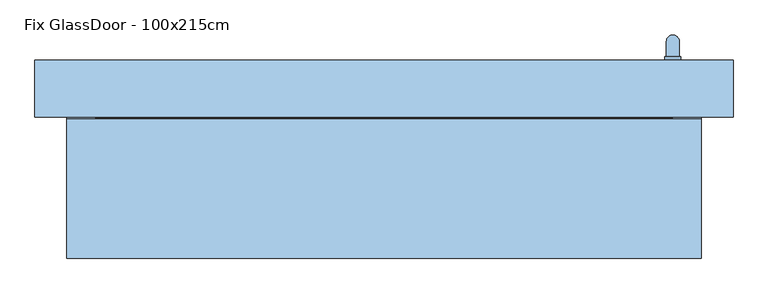
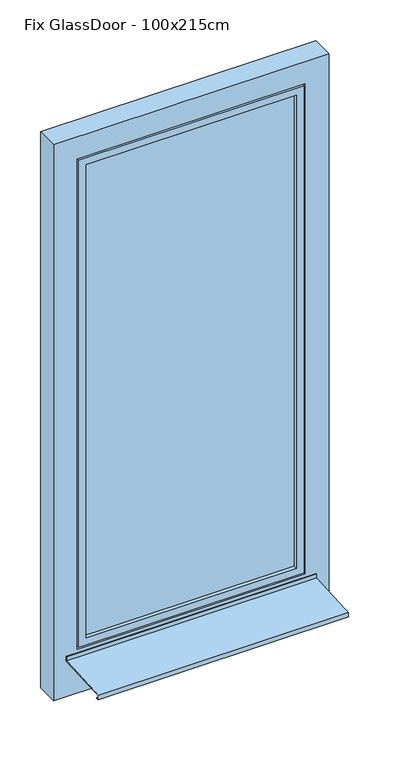
"""IFC4 building model written with IfcOpenShell, lengths in millimetres: window geometry, Fix GlassDoor - 100x215cm."""

from ifc_helpers import new_model, si_unit, frame, origin, place, context, project, spatial, polyline, circle_curve, ellipse_curve, outline, extrude, faceted_brep, source, transform, mapped, element, save
from ifc_brep_helpers import plane_surface, cylinder_surface, advanced_brep


def fix_glassdoor_100x215cm_30d87584(model_context):
    return source(origin(), model_context, "Body", "SolidModel", [
        advanced_brep(
        [(442.5, -35.0, 1087.5), (442.5, -35.0, 1070.0), (442.5, -35.0, 1052.5), (467.5, -35.0, 1052.5), (467.5, -35.0, 1070.0), (467.5, -35.0, 1087.5), (465.0, -5.0, 1070.0), (445.0, -5.0, 1070.0), (445.0, -29.0, 1070.0), (465.0, -29.0, 1070.0), (465.0, -5.0, 950.0), (445.0, -5.0, 950.0), (442.5, -29.0, 1087.5), (467.5, -29.0, 1087.5), (467.5, -29.0, 1070.0), (467.5, -29.0, 1052.5), (442.5, -29.0, 1052.5), (442.5, -29.0, 1070.0)],
        [
            (0, 1),
            (1, 2),
            (2, 3, circle_curve(frame((455.0, -35.0, 1052.5), z_axis=(0.0, -1.0, 0.0), x_axis=(-1.0, 0.0, 0.0)), 12.5)),
            (3, 4),
            (4, 5),
            (5, 0, circle_curve(frame((455.0, -35.0, 1087.5), z_axis=(0.0, -1.0, 0.0), x_axis=(-1.0, 0.0, 0.0)), 12.5)),
            (6, 7, ellipse_curve(frame((455.0, -5.0, 1070.0), z_axis=(0.0, -0.7071067811865498, 0.7071067811865451), x_axis=(0.0, -0.7071067811865452, -0.7071067811865497)), 14.1421356, 10.0)),
            (7, 8),
            (8, 9, circle_curve(frame((455.0, -29.0, 1070.0), z_axis=(0.0, 1.0, 0.0), x_axis=(-1.0, 0.0, 0.0)), 10.0)),
            (9, 6),
            (7, 6, ellipse_curve(frame((455.0, -5.0, 1070.0), z_axis=(0.0, -0.7071067811865498, 0.7071067811865451), x_axis=(0.0, -0.7071067811865452, -0.7071067811865497)), 14.1421356, 10.0)),
            (9, 8, circle_curve(frame((455.0, -29.0, 1070.0), z_axis=(0.0, 1.0, 0.0), x_axis=(-1.0, 0.0, 0.0)), 10.0)),
            (10, 11, circle_curve(frame((455.0, -5.0, 950.0), z_axis=(0.0, 0.0, -1.0), x_axis=(-1.0, 0.0, 0.0)), 10.0)),
            (11, 10, circle_curve(frame((455.0, -5.0, 950.0), z_axis=(0.0, 0.0, -1.0), x_axis=(-1.0, 0.0, 0.0)), 10.0)),
            (6, 10),
            (11, 7),
            (12, 13, circle_curve(frame((455.0, -29.0, 1087.5), z_axis=(0.0, 1.0, 0.0), x_axis=(-1.0, 0.0, 0.0)), 12.5)),
            (13, 14),
            (14, 15),
            (15, 16, circle_curve(frame((455.0, -29.0, 1052.5), z_axis=(0.0, 1.0, 0.0), x_axis=(-1.0, 0.0, 0.0)), 12.5)),
            (16, 17),
            (17, 12),
            (12, 0),
            (5, 13),
            (4, 14),
            (3, 15),
            (2, 16),
            (1, 17),
        ],
        [
            plane_surface(frame((455.0, -35.0, 1070.0), z_axis=(0.0, -1.0, 0.0), x_axis=(-1.0, 0.0, 0.0))),
            cylinder_surface(frame((455.0, -35.0, 1070.0), z_axis=(0.0, -1.0, 0.0), x_axis=(-1.0, 0.0, 0.0)), 10.0),
            plane_surface(frame((455.0, -5.0, 950.0), z_axis=(0.0, 0.0, -1.0), x_axis=(-1.0, 0.0, 0.0))),
            cylinder_surface(frame((455.0, -5.0, 1070.0), z_axis=(0.0, 0.0, 1.0), x_axis=(-1.0, 0.0, 0.0)), 10.0),
            plane_surface(frame((442.5, -29.0, 1087.5), z_axis=(0.0, 1.0, 0.0), x_axis=(0.0, 0.0, 1.0))),
            cylinder_surface(frame((455.0, -35.0, 1087.5), z_axis=(0.0, 1.0, 0.0), x_axis=(-1.0, 0.0, 0.0)), 12.5),
            plane_surface(frame((467.5, -29.0, 1087.5), z_axis=(1.0, 0.0, 0.0), x_axis=(0.0, -1.0, 0.0))),
            plane_surface(frame((467.5, -29.0, 1070.0), z_axis=(1.0, 0.0, 0.0), x_axis=(0.0, -1.0, 0.0))),
            cylinder_surface(frame((455.0, -35.0, 1052.5), z_axis=(0.0, 1.0, 0.0), x_axis=(-1.0, 0.0, 0.0)), 12.5),
            plane_surface(frame((442.5, -29.0, 1052.5), z_axis=(-1.0, 0.0, 0.0), x_axis=(0.0, -1.0, 0.0))),
            plane_surface(frame((442.5, -29.0, 1070.0), z_axis=(-1.0, 0.0, 0.0), x_axis=(0.0, -1.0, 0.0))),
        ],
        [
            (0, [[1, 2, 3, 4, 5, 6]]),
            (1, [[7, 8, 9, 10]]),
            (1, [[11, -10, 12, -8]]),
            (2, [[13, 14]]),
            (3, [[-7, 15, -14, 16]]),
            (3, [[-11, -16, -13, -15]]),
            (4, [[17, 18, 19, 20, 21, 22], [-9, -12]]),
            (5, [[-17, 23, -6, 24]]),
            (6, [[-18, -24, -5, 25]]),
            (7, [[-19, -25, -4, 26]]),
            (8, [[-20, -26, -3, 27]]),
            (9, [[-21, -27, -2, 28]]),
            (10, [[-22, -28, -1, -23]]),
        ],
    ),
        faceted_brep([(-420.0, -35.0, 2070.0), (-420.0, -125.0, 2070.0), (-420.0, -125.0, 70.0), (-420.0, -35.0, 70.0), (-450.0, -125.0, 40.0), (450.0, -125.0, 40.0), (450.0, -125.0, 2100.0), (-450.0, -125.0, 2100.0), (420.0, -125.0, 2070.0), (420.0, -125.0, 70.0), (420.0, -35.0, 70.0), (-490.0, -35.0, 2140.0), (490.0, -35.0, 2140.0), (490.0, -35.0, 0.0), (-490.0, -35.0, 0.0), (420.0, -35.0, 2070.0), (-490.0, -50.0, 2140.0), (-490.0, -50.0, 0.0), (490.0, -50.0, 0.0), (490.0, -50.0, 2140.0), (-475.0, -50.0, 2125.0), (475.0, -50.0, 2125.0), (475.0, -50.0, 15.0), (-475.0, -50.0, 15.0), (-475.0, -80.0, 2125.0), (-475.0, -80.0, 15.0), (475.0, -80.0, 15.0), (475.0, -80.0, 2125.0), (-465.0, -80.0, 2115.0), (465.0, -80.0, 2115.0), (465.0, -80.0, 25.0), (-465.0, -80.0, 25.0), (-465.0, -110.0, 2115.0), (-465.0, -110.0, 25.0), (465.0, -110.0, 25.0), (465.0, -110.0, 2115.0), (-450.0, -110.0, 2100.0), (450.0, -110.0, 2100.0), (450.0, -110.0, 40.0), (-450.0, -110.0, 40.0)], [[[0, 1, 2, 3]], [[4, 5, 6, 7], [1, 8, 9, 2]], [[3, 2, 9, 10]], [[11, 12, 13, 14], [3, 10, 15, 0]], [[16, 11, 14, 17]], [[17, 14, 13, 18]], [[17, 18, 19, 16], [20, 21, 22, 23]], [[24, 20, 23, 25]], [[25, 23, 22, 26]], [[25, 26, 27, 24], [28, 29, 30, 31]], [[32, 28, 31, 33]], [[33, 31, 30, 34]], [[33, 34, 35, 32], [36, 37, 38, 39]], [[7, 36, 39, 4]], [[4, 39, 38, 5]], [[10, 9, 8, 15]], [[18, 13, 12, 19]], [[26, 22, 21, 27]], [[34, 30, 29, 35]], [[5, 38, 37, 6]], [[15, 8, 1, 0]], [[19, 12, 11, 16]], [[27, 21, 20, 24]], [[35, 29, 28, 32]], [[6, 37, 36, 7]]]),
        extrude(outline(polyline([(-420.0, -110.0), (-420.0, -66.0), (420.0, -66.0), (420.0, -110.0), (-420.0, -110.0)])), frame((0.0, 0.0, 70.0), z_axis=(0.0, 0.0, 1.0), x_axis=(1.0, 0.0, 0.0)), (0.0, 0.0, 1.0), 2000.0),
        faceted_brep([(-500.0, -347.0, -9.0998752), (500.0, -347.0, -9.0998752), (500.0, -325.0, -7.9998752), (500.0, -127.0, 1.9001248), (-500.0, -127.0, 1.9001248), (-500.0, -325.0, -7.9998752), (-500.0, -347.0, -29.0998752), (500.0, -347.0, -29.0998752), (-500.0, -335.0, -29.0998752), (500.0, -335.0, -29.0998752), (-500.0, -335.0, -27.0998752), (500.0, -335.0, -27.0998752), (-500.0, -345.0, -27.0998752), (500.0, -345.0, -27.0998752), (-500.0, -345.0, -11.0), (500.0, -345.0, -11.0), (-500.0, -325.0, -10.0), (-500.0, -125.0, 0.0), (500.0, -125.0, 0.0), (500.0, -325.0, -10.0), (-500.0, -125.0, 20.0), (500.0, -125.0, 20.0), (-500.0, -127.0, 20.0), (500.0, -127.0, 20.0)], [[[0, 1, 2, 3, 4, 5]], [[6, 7, 1, 0]], [[8, 9, 7, 6]], [[10, 11, 9, 8]], [[12, 13, 11, 10]], [[14, 15, 13, 12]], [[16, 17, 18, 19, 15, 14]], [[20, 21, 18, 17]], [[22, 23, 21, 20]], [[4, 3, 23, 22]], [[16, 14, 12, 10, 8, 6, 0, 5]], [[19, 18, 21, 23, 3, 2]], [[5, 4, 22, 20, 17, 16]], [[2, 1, 7, 9, 11, 13, 15, 19]]]),
        faceted_brep([(550.0, -125.0, -150.0), (-550.0, -125.0, -150.0), (-550.0, -35.0, -150.0), (550.0, -35.0, -150.0), (550.0, -125.0, 2200.0), (550.0, -35.0, 2200.0), (-550.0, -35.0, 2200.0), (495.0, -35.0, 2145.0), (-495.0, -35.0, 2145.0), (-495.0, -35.0, -5.0), (495.0, -35.0, -5.0), (-550.0, -125.0, 2200.0), (455.0, -125.0, 35.0), (-455.0, -125.0, 35.0), (-455.0, -125.0, 2105.0), (455.0, -125.0, 2105.0), (455.0, -110.0, 2105.0), (455.0, -110.0, 35.0), (-455.0, -110.0, 35.0), (-455.0, -110.0, 2105.0), (495.0, -50.0, 2145.0), (495.0, -50.0, -5.0), (-495.0, -50.0, -5.0), (-495.0, -50.0, 2145.0), (480.0, -50.0, 2130.0), (-480.0, -50.0, 2130.0), (-480.0, -50.0, 10.0), (480.0, -50.0, 10.0), (480.0, -80.0, 10.0), (-480.0, -80.0, 10.0), (-480.0, -80.0, 2130.0), (480.0, -80.0, 2130.0), (470.0, -80.0, 2120.0), (-470.0, -80.0, 2120.0), (-470.0, -80.0, 20.0), (470.0, -80.0, 20.0), (470.0, -110.0, 20.0), (-470.0, -110.0, 20.0), (-470.0, -110.0, 2120.0), (470.0, -110.0, 2120.0)], [[[0, 1, 2, 3]], [[4, 0, 3, 5]], [[5, 3, 2, 6], [7, 8, 9, 10]], [[6, 2, 1, 11]], [[11, 1, 0, 4], [12, 13, 14, 15]], [[12, 15, 16, 17]], [[18, 19, 14, 13]], [[17, 18, 13, 12]], [[20, 7, 10, 21]], [[10, 9, 22, 21]], [[9, 8, 23, 22]], [[21, 22, 23, 20], [24, 25, 26, 27]], [[28, 29, 30, 31], [32, 33, 34, 35]], [[31, 24, 27, 28]], [[27, 26, 29, 28]], [[36, 37, 38, 39], [16, 19, 18, 17]], [[39, 32, 35, 36]], [[35, 34, 37, 36]], [[26, 25, 30, 29]], [[34, 33, 38, 37]], [[4, 5, 6, 11]], [[20, 23, 8, 7]], [[31, 30, 25, 24]], [[39, 38, 33, 32]], [[15, 14, 19, 16]]]),
    ])


if __name__ == "__main__":
    model = new_model("IFC4")
    model_context = context("Model", 3, world=origin())
    ifc_project = project(units=[si_unit("LENGTHUNIT", "METRE", prefix="MILLI")], contexts=[model_context])
    site = spatial("IfcSite", under=ifc_project)
    building = spatial("IfcBuilding", under=site)
    placement = place(None, origin())
    fix_glassdoor_100x215cm_shape = fix_glassdoor_100x215cm_30d87584(model_context)
    element("IfcWindow", 1, ObjectType="Fix GlassDoor - 100x215cm", at=placement, inside=building, context=model_context, shape_type="MappedRepresentation", body=[
        mapped(fix_glassdoor_100x215cm_shape, transform((0.0, 0.0, 0.0), x_axis=(1.0, 0.0, 0.0), y_axis=(0.0, 1.0, 0.0), z_axis=(0.0, 0.0, 1.0))),
    ])
    save(model, "model.ifc")
